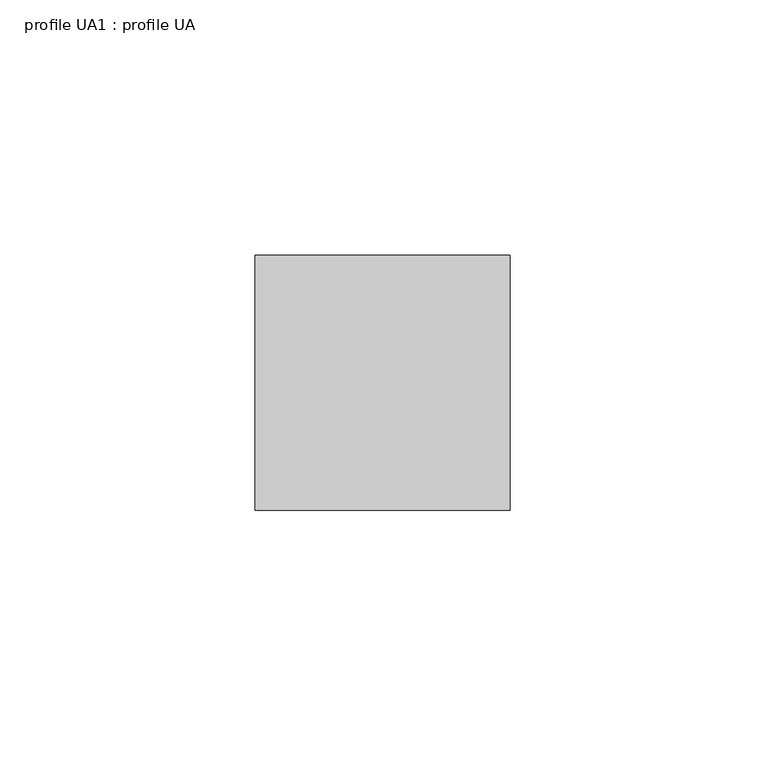
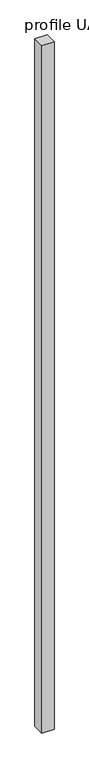
"""IFC4 building model written with IfcOpenShell, lengths in millimetres: beam geometry, profile UA1 : profile UA."""

from ifc_helpers import new_model, si_unit, origin, origin_with_axes, place, context, project, spatial, polyline, outline, extrude, source, transform, mapped, element, save


def profile_ua1_profile_ua_b80d768c(model_context):
    return source(origin(), model_context, "Body", "SweptSolid", [
        extrude(outline(polyline([(25.0, 25.0), (25.0, -25.0), (-25.0, -25.0), (-25.0, 25.0), (25.0, 25.0)])), origin_with_axes(), (0.0, 0.0, 1.0), 3000.0),
    ])


if __name__ == "__main__":
    model = new_model("IFC4")
    model_context = context("Model", 3, world=origin())
    ifc_project = project(units=[si_unit("LENGTHUNIT", "METRE", prefix="MILLI")], contexts=[model_context])
    site = spatial("IfcSite", under=ifc_project)
    building = spatial("IfcBuilding", under=site)
    placement = place(None, origin())
    profile_ua1_profile_ua_shape = profile_ua1_profile_ua_b80d768c(model_context)
    element("IfcBeam", 1, ObjectType="profile UA1 : profile UA", at=placement, inside=building, context=model_context, shape_type="MappedRepresentation", body=[
        mapped(profile_ua1_profile_ua_shape, transform((0.0, 0.0, 0.0), x_axis=(1.0, 0.0, 0.0), y_axis=(0.0, 1.0, 0.0), z_axis=(0.0, 0.0, 1.0))),
    ])
    save(model, "model.ifc")
